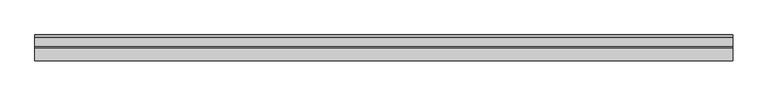
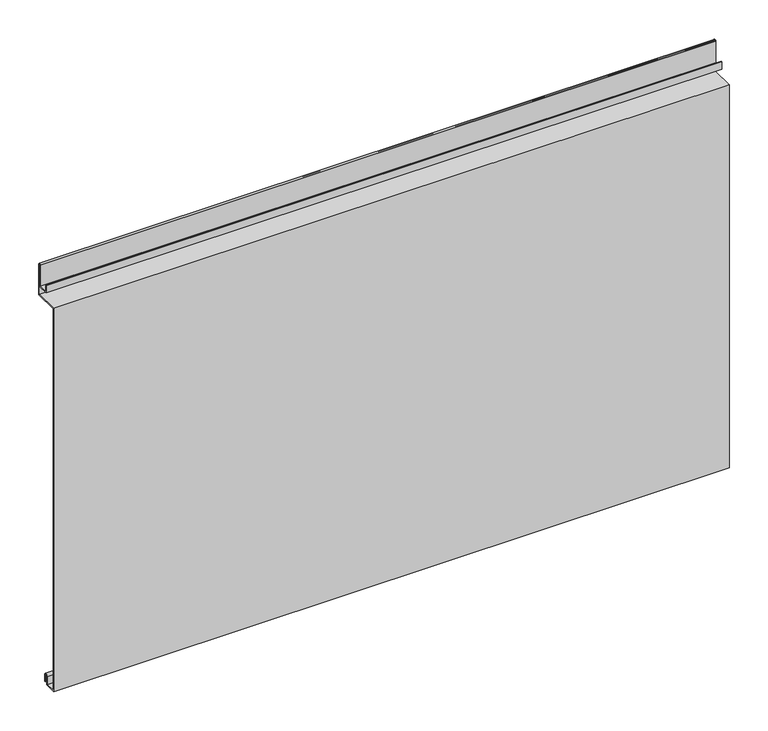
"""IFC4 building model written with IfcOpenShell, lengths in millimetres: proxy geometry."""

from ifc_helpers import new_model, si_unit, point, frame, frame_2d, origin, place, context, project, spatial, polyline, circle_curve, trimmed, segment, composite_curve, outline, extrude, source, transform, mapped, element, save


def generic_models_031814da(model_context):
    return source(origin(), model_context, "Body", "SweptSolid", [
        extrude(outline(composite_curve([segment(polyline([(-39.37, 0.0), (-39.37, 600.0), (-3.3274744, 600.0000001), (-3.3274744, 647.1932001)]), True, "CONTINUOUS"), segment(trimmed(circle_curve(frame_2d((-3.7084743, 647.1932001)), 0.3809999), [point((-3.3274744, 647.1932001))], [point((-4.0894742, 647.1932001))], True, "CARTESIAN"), True, "CONTINUOUS"), segment(polyline([(-4.0894742, 647.1932001), (-4.0894742, 612.7), (-20.4864743, 612.7), (-20.4864743, 624.0538), (-19.2164744, 624.0538), (-19.2164744, 613.97), (-5.3594742, 613.97), (-5.3594742, 647.1932001)]), True, "CONTINUOUS"), segment(trimmed(circle_curve(frame_2d((-3.7084743, 647.1932001)), 1.6509999), [point((-5.3594742, 647.1932001))], [point((-2.0574744, 647.1932001))], False, "CARTESIAN"), True, "CONTINUOUS"), segment(polyline([(-2.0574744, 647.1932001), (-2.0574744, 598.73), (-38.1000002, 598.73), (-38.1000001, 1.2693678), (-23.0264743, 1.2693678), (-23.0264743, 13.124237)]), True, "CONTINUOUS"), segment(trimmed(circle_curve(frame_2d((-19.8514743, 13.124237)), 3.175), [point((-23.0264743, 13.124237))], [point((-16.6765477, 13.1458337))], False, "CARTESIAN"), True, "CONTINUOUS"), segment(polyline([(-16.6765477, 13.1458337), (-16.6765477, 2.786437), (-17.9464915, 2.786437), (-17.9464915, 13.1323356)]), True, "CONTINUOUS"), segment(trimmed(circle_curve(frame_2d((-19.8514743, 13.124237)), 1.905), [point((-17.9464915, 13.1323356))], [point((-21.7564743, 13.124237))], True, "CARTESIAN"), True, "CONTINUOUS"), segment(polyline([(-21.7564743, 13.124237), (-21.7564743, 0.0), (-39.37, 0.0)]), True, "CONTINUOUS")], self_intersect=False)), frame((-500.0, 0.0, 0.0), z_axis=(1.0, 0.0, 0.0), x_axis=(0.0, 1.0, 0.0)), (0.0, 0.0, 1.0), 1000.0),
    ])


if __name__ == "__main__":
    model = new_model("IFC4")
    model_context = context("Model", 3, world=origin())
    ifc_project = project(units=[si_unit("LENGTHUNIT", "METRE", prefix="MILLI")], contexts=[model_context])
    site = spatial("IfcSite", under=ifc_project)
    building = spatial("IfcBuilding", under=site)
    placement = place(None, origin())
    generic_models_shape = generic_models_031814da(model_context)
    element("IfcBuildingElementProxy", 1, Name="Generic Models", at=placement, inside=building, context=model_context, shape_type="MappedRepresentation", body=[
        mapped(generic_models_shape, transform((0.0, 0.0, 0.0), x_axis=(1.0, 0.0, 0.0), y_axis=(0.0, 1.0, 0.0), z_axis=(0.0, 0.0, 1.0))),
    ])
    save(model, "model.ifc")
